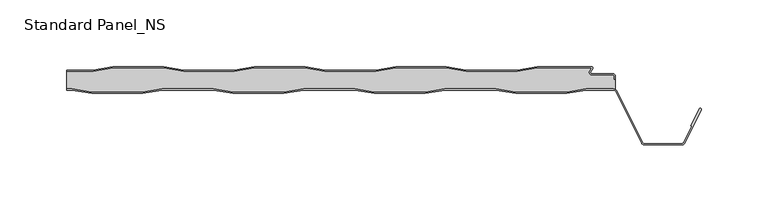
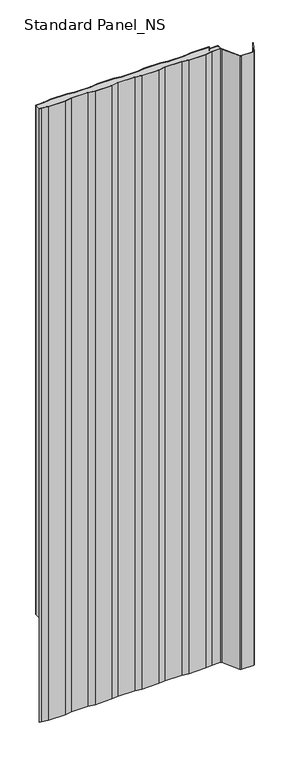
"""IFC4 building model written with IfcOpenShell, lengths in millimetres: proxy geometry, Standard Panel_NS."""

from ifc_helpers import new_model, si_unit, point, frame, frame_2d, origin, origin_with_axes, place, context, project, spatial, polyline, circle_curve, trimmed, segment, composite_curve, outline, extrude, source, transform, mapped, element, save
from ifc_brep_helpers import plane_surface, cylinder_surface, revolved_surface, advanced_brep


def standard_panel_ns_a585506e(model_context):
    return source(origin(), model_context, "Body", "SolidModel", [
        extrude(outline(composite_curve([segment(polyline([(-203.6028864, -3.3), (-223.4042607, -3.3), (-223.4042607, -2.5), (-203.6690964, -2.5), (-188.6690964, 0.0), (-150.6690964, 0.0), (-135.6690964, -2.5), (-97.6690964, -2.5), (-82.6690964, 0.0), (-44.6690964, 0.0), (-29.6690964, -2.5), (8.3309036, -2.5), (23.3309036, 0.0), (61.3309036, 0.0), (76.3309036, -2.5), (114.3309036, -2.5), (129.3309036, 0.0), (170.1370388, 0.0)]), True, "CONTINUOUS"), segment(trimmed(circle_curve(frame_2d((170.1370388, -1.0)), 1.0), [point((170.1370388, 0.0))], [point((170.9759217, -1.5443119))], False, "CARTESIAN"), True, "CONTINUOUS"), segment(polyline([(170.9759217, -1.5443119), (169.5409513, -3.7558601)]), True, "CONTINUOUS"), segment(trimmed(circle_curve(frame_2d((170.3798342, -4.3001721)), 1.0), [point((169.5409513, -3.7558601))], [point((170.3798342, -5.3001721))], True, "CARTESIAN"), True, "CONTINUOUS"), segment(polyline([(170.3798342, -5.3001721), (185.9659043, -5.3001721)]), True, "CONTINUOUS"), segment(trimmed(circle_curve(frame_2d((185.9659043, -7.4001714)), 2.0999993), [point((185.9659043, -5.3001721))], [point((188.0659036, -7.4001714))], False, "CARTESIAN"), True, "CONTINUOUS"), segment(polyline([(188.0659036, -7.4001714), (188.0659036, -9.4001722), (187.2659036, -9.4001722), (187.2659036, -7.4001714)]), True, "CONTINUOUS"), segment(trimmed(circle_curve(frame_2d((185.9659043, -7.4001714)), 1.2999993), [point((187.2659036, -7.4001714))], [point((185.9659043, -6.1001721))], True, "CARTESIAN"), True, "CONTINUOUS"), segment(polyline([(185.9659043, -6.1001721), (170.3798342, -6.1001721)]), True, "CONTINUOUS"), segment(trimmed(circle_curve(frame_2d((170.3798342, -4.3001721)), 1.8), [point((170.3798342, -6.1001721))], [point((168.869845, -3.3204106))], False, "CARTESIAN"), True, "CONTINUOUS"), segment(polyline([(168.869845, -3.3204106), (170.5052217, -0.8), (129.3971136, -0.8), (114.3971136, -3.3), (76.2646936, -3.3), (61.2646936, -0.8), (23.3971136, -0.8), (8.3971136, -3.3), (-29.7353064, -3.3), (-44.7353064, -0.8), (-82.6028864, -0.8), (-97.6028864, -3.3), (-135.7353064, -3.3), (-150.7353064, -0.8), (-188.6028864, -0.8), (-203.6028864, -3.3)]), True, "CONTINUOUS")], self_intersect=False)), origin_with_axes(), (0.0, 0.0, 1.0), 1219.2),
        extrude(outline(composite_curve([segment(polyline([(-219.5261524, -17.5), (-223.4042607, -17.5), (-223.4042607, -16.7), (-219.4592357, -16.7), (-204.6198427, -19.2), (-166.5446313, -19.2), (-151.7052383, -16.7), (-113.4592357, -16.7), (-98.6198427, -19.2), (-60.5446313, -19.2), (-45.7052383, -16.7), (-7.4592357, -16.7), (7.3801573, -19.2), (45.4553687, -19.2), (60.2947617, -16.7), (98.5407643, -16.7), (113.3801573, -19.2), (151.4553687, -19.2), (166.2947617, -16.7), (186.5082999, -16.7)]), True, "CONTINUOUS"), segment(trimmed(circle_curve(frame_2d((186.5082999, -19.8)), 3.1), [point((186.5082999, -16.7))], [point((189.28232, -18.4162325))], False, "CARTESIAN"), True, "CONTINUOUS"), segment(polyline([(189.28232, -18.4162325), (208.4846117, -56.910808)]), True, "CONTINUOUS"), segment(trimmed(circle_curve(frame_2d((209.8268795, -56.241243)), 1.5), [point((208.4846117, -56.910808))], [point((209.8268795, -57.741243))], True, "CARTESIAN"), True, "CONTINUOUS"), segment(polyline([(209.8268795, -57.741243), (237.9816419, -57.741243)]), True, "CONTINUOUS"), segment(trimmed(circle_curve(frame_2d((237.9816419, -56.241243)), 1.5), [point((237.9816419, -57.741243))], [point((239.3236176, -56.9113932))], True, "CARTESIAN"), True, "CONTINUOUS"), segment(polyline([(239.3236176, -56.9113932), (245.3896952, -44.7640727), (244.6739749, -44.4066593), (251.018063, -31.7026227)]), True, "CONTINUOUS"), segment(trimmed(circle_curve(frame_2d((251.7337834, -32.0600361)), 0.8), [point((251.018063, -31.7026227))], [point((252.4495038, -32.4174495))], False, "CARTESIAN"), True, "CONTINUOUS"), segment(polyline([(252.4495038, -32.4174495), (240.039338, -57.2688066)]), True, "CONTINUOUS"), segment(trimmed(circle_curve(frame_2d((237.9816419, -56.241243)), 2.3), [point((240.039338, -57.2688066))], [point((237.9816419, -58.541243))], False, "CARTESIAN"), True, "CONTINUOUS"), segment(polyline([(237.9816419, -58.541243), (209.8268795, -58.541243)]), True, "CONTINUOUS"), segment(trimmed(circle_curve(frame_2d((209.8268795, -56.241243)), 2.3), [point((209.8268795, -58.541243))], [point((207.7687355, -57.2679093))], False, "CARTESIAN"), True, "CONTINUOUS"), segment(polyline([(207.7687355, -57.2679093), (188.5664438, -18.7733338)]), True, "CONTINUOUS"), segment(trimmed(circle_curve(frame_2d((186.5082999, -19.8)), 2.3), [point((188.5664438, -18.7733338))], [point((186.5082999, -17.5))], True, "CARTESIAN"), True, "CONTINUOUS"), segment(polyline([(186.5082999, -17.5), (166.3616785, -17.5), (151.5222854, -20.0), (113.3132406, -20.0), (98.4738476, -17.5), (60.3616785, -17.5), (45.5222854, -20.0), (7.3132406, -20.0), (-7.5261524, -17.5), (-45.6383215, -17.5), (-60.4777146, -20.0), (-98.6867594, -20.0), (-113.5261524, -17.5), (-151.6383215, -17.5), (-166.4777146, -20.0), (-204.6867594, -20.0), (-219.5261524, -17.5)]), True, "CONTINUOUS")], self_intersect=False)), frame((0.0, 0.0, -250.0), z_axis=(0.0, 0.0, 1.0), x_axis=(1.0, 0.0, 0.0)), (0.0, 0.0, 1.0), 1469.2),
        advanced_brep(
        [(188.136916, -17.1622719, 1219.2), (188.1042607, -9.4, 1219.2), (187.2659036, -9.4, 1219.2), (187.2659036, -7.4001714, 1219.2), (185.9659043, -6.1001721, 1219.2), (170.3798342, -6.1001721, 1219.2), (168.869845, -3.3204106, 1219.2), (170.5052217, -0.8, 1219.2), (129.3971136, -0.8, 1219.2), (114.3971136, -3.3, 1219.2), (76.2646936, -3.3, 1219.2), (61.2646936, -0.8, 1219.2), (23.3971136, -0.8, 1219.2), (8.3971136, -3.3, 1219.2), (-29.7353064, -3.3, 1219.2), (-44.7353064, -0.8, 1219.2), (-82.6028864, -0.8, 1219.2), (-97.6028864, -3.3, 1219.2), (-135.7353064, -3.3, 1219.2), (-150.7353064, -0.8, 1219.2), (-188.6028864, -0.8, 1219.2), (-203.6028864, -3.3, 1219.2), (-223.4042607, -3.3, 1219.2), (-223.4042607, -16.7, 1219.2), (-219.4592357, -16.7, 1219.2), (-204.6198427, -19.2, 1219.2), (-166.5446313, -19.2, 1219.2), (-151.7052383, -16.7, 1219.2), (-113.4592357, -16.7, 1219.2), (-98.6198427, -19.2, 1219.2), (-60.5446313, -19.2, 1219.2), (-45.7052383, -16.7, 1219.2), (-7.4592357, -16.7, 1219.2), (7.3801573, -19.2, 1219.2), (45.4553687, -19.2, 1219.2), (60.2947617, -16.7, 1219.2), (98.5407643, -16.7, 1219.2), (113.3801573, -19.2, 1219.2), (151.4553687, -19.2, 1219.2), (166.2947617, -16.7, 1219.2), (186.5082999, -16.7, 1219.2), (-219.4592357, -16.7, 0.0), (-223.4042607, -16.7, 0.0), (-223.4042607, -3.3, 0.0), (-203.6028864, -3.3, 0.0), (-188.6028864, -0.8, 0.0), (-150.7353064, -0.8, 0.0), (-135.7353064, -3.3, 0.0), (-97.6028864, -3.3, 0.0), (-82.6028864, -0.8, 0.0), (-44.7353064, -0.8, 0.0), (-29.7353064, -3.3, 0.0), (8.3971136, -3.3, 0.0), (23.3971136, -0.8, 0.0), (61.2646936, -0.8, 0.0), (76.2646936, -3.3, 0.0), (114.3971136, -3.3, 0.0), (129.3971136, -0.8, 0.0), (170.5052217, -0.8, 0.0), (168.869845, -3.3204106, 0.0), (170.3798342, -6.1001721, 0.0), (185.9659043, -6.1001721, 0.0), (187.2659036, -7.4001714, 0.0), (187.2659036, -9.4001722, 0.0), (188.1042607, -9.4, 0.0), (188.136916, -17.1622719, 0.0), (186.5082999, -16.7, 0.0), (166.2947617, -16.7, 0.0), (151.4553687, -19.2, 0.0), (113.3801573, -19.2, 0.0), (98.5407643, -16.7, 0.0), (60.2947617, -16.7, 0.0), (45.4553687, -19.2, 0.0), (7.3801573, -19.2, 0.0), (-7.4592357, -16.7, 0.0), (-45.7052383, -16.7, 0.0), (-60.5446313, -19.2, 0.0), (-98.6198427, -19.2, 0.0), (-113.4592357, -16.7, 0.0), (-151.7052383, -16.7, 0.0), (-166.5446313, -19.2, 0.0), (-204.6198427, -19.2, 0.0)],
        [
            (0, 1),
            (1, 2),
            (2, 3),
            (3, 4, circle_curve(frame((185.9659043, -7.4001714, 1219.2), z_axis=(0.0, 0.0, 1.0), x_axis=(-1.0, 0.0, 0.0)), 1.2999993)),
            (4, 5),
            (5, 6, circle_curve(frame((170.3798342, -4.3001721, 1219.2), z_axis=(0.0, 0.0, -1.0), x_axis=(-1.0, 0.0, 0.0)), 1.8)),
            (6, 7),
            (7, 8),
            (8, 9),
            (9, 10),
            (10, 11),
            (11, 12),
            (12, 13),
            (13, 14),
            (14, 15),
            (15, 16),
            (16, 17),
            (17, 18),
            (18, 19),
            (19, 20),
            (20, 21),
            (21, 22),
            (22, 23),
            (23, 24),
            (24, 25),
            (25, 26),
            (26, 27),
            (27, 28),
            (28, 29),
            (29, 30),
            (30, 31),
            (31, 32),
            (32, 33),
            (33, 34),
            (34, 35),
            (35, 36),
            (36, 37),
            (37, 38),
            (38, 39),
            (39, 40),
            (40, 0, circle_curve(frame((186.5082999, -19.8, 1219.2), z_axis=(0.0, 0.0, -1.0), x_axis=(-1.0, 0.0, 0.0)), 3.1)),
            (41, 42),
            (42, 43),
            (43, 44),
            (44, 45),
            (45, 46),
            (46, 47),
            (47, 48),
            (48, 49),
            (49, 50),
            (50, 51),
            (51, 52),
            (52, 53),
            (53, 54),
            (54, 55),
            (55, 56),
            (56, 57),
            (57, 58),
            (58, 59),
            (59, 60, circle_curve(frame((170.3798342, -4.3001721, 0.0), z_axis=(0.0, 0.0, 1.0), x_axis=(-1.0, 0.0, 0.0)), 1.8)),
            (60, 61),
            (61, 62, circle_curve(frame((185.9659043, -7.4001714, 0.0), z_axis=(0.0, 0.0, -1.0), x_axis=(-1.0, 0.0, 0.0)), 1.2999993)),
            (62, 63),
            (63, 64),
            (64, 65),
            (65, 66, circle_curve(frame((186.5082999, -19.8, 0.0), z_axis=(0.0, 0.0, 1.0), x_axis=(-1.0, 0.0, 0.0)), 3.1)),
            (66, 67),
            (67, 68),
            (68, 69),
            (69, 70),
            (70, 71),
            (71, 72),
            (72, 73),
            (73, 74),
            (74, 75),
            (75, 76),
            (76, 77),
            (77, 78),
            (78, 79),
            (79, 80),
            (80, 81),
            (81, 41),
            (64, 1),
            (0, 65),
            (40, 66),
            (39, 67),
            (38, 68),
            (37, 69),
            (36, 70),
            (35, 71),
            (34, 72),
            (33, 73),
            (32, 74),
            (31, 75),
            (30, 76),
            (29, 77),
            (28, 78),
            (27, 79),
            (26, 80),
            (25, 81),
            (24, 41),
            (23, 42),
            (63, 2),
            (43, 22),
            (21, 44),
            (20, 45),
            (19, 46),
            (18, 47),
            (17, 48),
            (16, 49),
            (15, 50),
            (14, 51),
            (13, 52),
            (12, 53),
            (11, 54),
            (10, 55),
            (9, 56),
            (8, 57),
            (7, 58),
            (6, 59),
            (5, 60),
            (4, 61),
            (3, 62),
        ],
        [
            plane_surface(frame((-276.0957393, -19.2, 1219.2), z_axis=(0.0, 0.0, 1.0), x_axis=(0.0, -1.0, 0.0))),
            plane_surface(frame((-276.0957393, -19.2, 0.0), z_axis=(0.0, 0.0, -1.0), x_axis=(0.0, -1.0, 0.0))),
            plane_surface(frame((188.136916, -14.25, 1219.2), z_axis=(1.0, 0.0, 0.0), x_axis=(0.0, 0.0, -1.0))),
            revolved_surface(polyline([(183.4082999, -19.8, 0.0), (183.4082999, -19.8, 1219.2)]), (186.5082999, -19.8, 1219.2), (0.0, 0.0, -1.0)),
            plane_surface(frame((186.5082999, -16.7, 1219.2), z_axis=(0.0, -1.0, 0.0), x_axis=(0.0, 0.0, -1.0))),
            plane_surface(frame((166.2947617, -16.7, 1219.2), z_axis=(0.16612942863435848, -0.9861039564577467, 0.0), x_axis=(0.0, 0.0, -1.0))),
            plane_surface(frame((151.4553687, -19.2, 1219.2), z_axis=(0.0, -1.0, 0.0), x_axis=(0.0, 0.0, -1.0))),
            plane_surface(frame((113.3801573, -19.2, 1219.2), z_axis=(-0.16612942863454067, -0.9861039564577161, 0.0), x_axis=(0.0, 0.0, -1.0))),
            plane_surface(frame((98.5407643, -16.7, 1219.2), z_axis=(0.0, -1.0, 0.0), x_axis=(0.0, 0.0, -1.0))),
            plane_surface(frame((60.2947617, -16.7, 1219.2), z_axis=(0.1661294286345235, -0.986103956457719, 0.0), x_axis=(0.0, 0.0, -1.0))),
            plane_surface(frame((45.4553687, -19.2, 1219.2), z_axis=(0.0, -1.0, 0.0), x_axis=(0.0, 0.0, -1.0))),
            plane_surface(frame((7.3801573, -19.2, 1219.2), z_axis=(-0.16612942863454067, -0.9861039564577161, 0.0), x_axis=(0.0, 0.0, -1.0))),
            plane_surface(frame((-7.4592357, -16.7, 1219.2), z_axis=(0.0, -1.0, 0.0), x_axis=(0.0, 0.0, -1.0))),
            plane_surface(frame((-45.7052383, -16.7, 1219.2), z_axis=(0.16612942863435848, -0.9861039564577467, 0.0), x_axis=(0.0, 0.0, -1.0))),
            plane_surface(frame((-60.5446313, -19.2, 1219.2), z_axis=(0.0, -1.0, 0.0), x_axis=(0.0, 0.0, -1.0))),
            plane_surface(frame((-98.6198427, -19.2, 1219.2), z_axis=(-0.16612942863472926, -0.9861039564576843, 0.0), x_axis=(0.0, 0.0, -1.0))),
            plane_surface(frame((-113.4592357, -16.7, 1219.2), z_axis=(0.0, -1.0, 0.0), x_axis=(0.0, 0.0, -1.0))),
            plane_surface(frame((-151.7052383, -16.7, 1219.2), z_axis=(0.1661294286345235, -0.986103956457719, 0.0), x_axis=(0.0, 0.0, -1.0))),
            plane_surface(frame((-166.5446313, -19.2, 1219.2), z_axis=(0.0, -1.0, 0.0), x_axis=(0.0, 0.0, -1.0))),
            plane_surface(frame((-204.6198427, -19.2, 1219.2), z_axis=(-0.16612942863435204, -0.9861039564577478, 0.0), x_axis=(0.0, 0.0, -1.0))),
            plane_surface(frame((-219.4592357, -16.7, 1219.2), z_axis=(0.0, -1.0, 0.0), x_axis=(0.0, 0.0, -1.0))),
            plane_surface(frame((-811.8956486, -9.4, 1219.2), z_axis=(0.0, 1.0, 0.0), x_axis=(0.0, 0.0, -1.0))),
            plane_surface(frame((-241.7353064, -3.3, 1219.2), z_axis=(0.0, 1.0, 0.0), x_axis=(0.0, 0.0, -1.0))),
            plane_surface(frame((-203.6028864, -3.3, 1219.2), z_axis=(-0.1643989873053467, 0.9863939238321456, 0.0), x_axis=(0.0, 0.0, -1.0))),
            plane_surface(frame((-188.6028864, -0.8, 1219.2), z_axis=(0.0, 1.0, 0.0), x_axis=(0.0, 0.0, -1.0))),
            plane_surface(frame((-150.7353064, -0.8, 1219.2), z_axis=(0.1643989873053679, 0.9863939238321421, 0.0), x_axis=(0.0, 0.0, -1.0))),
            plane_surface(frame((-135.7353064, -3.3, 1219.2), z_axis=(0.0, 1.0, 0.0), x_axis=(0.0, 0.0, -1.0))),
            plane_surface(frame((-97.6028864, -3.3, 1219.2), z_axis=(-0.1643989873053467, 0.9863939238321456, 0.0), x_axis=(0.0, 0.0, -1.0))),
            plane_surface(frame((-82.6028864, -0.8, 1219.2), z_axis=(0.0, 1.0, 0.0), x_axis=(0.0, 0.0, -1.0))),
            plane_surface(frame((-44.7353064, -0.8, 1219.2), z_axis=(0.16439898730518315, 0.9863939238321728, 0.0), x_axis=(0.0, 0.0, -1.0))),
            plane_surface(frame((-29.7353064, -3.3, 1219.2), z_axis=(0.0, 1.0, 0.0), x_axis=(0.0, 0.0, -1.0))),
            plane_surface(frame((8.3971136, -3.3, 1219.2), z_axis=(-0.1643989873053467, 0.9863939238321456, 0.0), x_axis=(0.0, 0.0, -1.0))),
            plane_surface(frame((23.3971136, -0.8, 1219.2), z_axis=(0.0, 1.0, 0.0), x_axis=(0.0, 0.0, -1.0))),
            plane_surface(frame((61.2646936, -0.8, 1219.2), z_axis=(0.1643989873053679, 0.9863939238321421, 0.0), x_axis=(0.0, 0.0, -1.0))),
            plane_surface(frame((76.2646936, -3.3, 1219.2), z_axis=(0.0, 1.0, 0.0), x_axis=(0.0, 0.0, -1.0))),
            plane_surface(frame((114.3971136, -3.3, 1219.2), z_axis=(-0.16439898730516195, 0.9863939238321764, 0.0), x_axis=(0.0, 0.0, -1.0))),
            plane_surface(frame((129.3971136, -0.8, 1219.2), z_axis=(0.0, 1.0, 0.0), x_axis=(0.0, 0.0, -1.0))),
            plane_surface(frame((170.5052217, -0.8, 1219.2), z_axis=(0.8388828900539764, -0.5443119480359477, 0.0), x_axis=(0.0, 0.0, -1.0))),
            revolved_surface(polyline([(168.5798342, -4.3001721, 0.0), (168.5798342, -4.3001721, 1219.2)]), (170.3798342, -4.3001721, 1219.2), (0.0, 0.0, -1.0)),
            plane_surface(frame((170.3798342, -6.1001721, 1219.2), z_axis=(0.0, 1.0, 0.0), x_axis=(0.0, 0.0, -1.0))),
            cylinder_surface(frame((185.9659043, -7.4001714, 1219.2), z_axis=(0.0, 0.0, 1.0), x_axis=(-1.0, 0.0, 0.0)), 1.2999993),
            plane_surface(frame((187.2659036, -7.4001714, 1219.2), z_axis=(1.0, 0.0, 0.0), x_axis=(0.0, 0.0, -1.0))),
            plane_surface(frame((-223.4042607, 30.0, 1219.2), z_axis=(-1.0, 0.0, 0.0), x_axis=(0.0, 0.0, -1.0))),
        ],
        [
            (0, [[1, 2, 3, 4, 5, 6, 7, 8, 9, 10, 11, 12, 13, 14, 15, 16, 17, 18, 19, 20, 21, 22, 23, 24, 25, 26, 27, 28, 29, 30, 31, 32, 33, 34, 35, 36, 37, 38, 39, 40, 41]]),
            (1, [[42, 43, 44, 45, 46, 47, 48, 49, 50, 51, 52, 53, 54, 55, 56, 57, 58, 59, 60, 61, 62, 63, 64, 65, 66, 67, 68, 69, 70, 71, 72, 73, 74, 75, 76, 77, 78, 79, 80, 81, 82]]),
            (2, [[-65, 83, -1, 84]]),
            (3, [[85, -66, -84, -41]]),
            (4, [[86, -67, -85, -40]]),
            (5, [[87, -68, -86, -39]]),
            (6, [[88, -69, -87, -38]]),
            (7, [[89, -70, -88, -37]]),
            (8, [[90, -71, -89, -36]]),
            (9, [[91, -72, -90, -35]]),
            (10, [[92, -73, -91, -34]]),
            (11, [[93, -74, -92, -33]]),
            (12, [[94, -75, -93, -32]]),
            (13, [[95, -76, -94, -31]]),
            (14, [[96, -77, -95, -30]]),
            (15, [[97, -78, -96, -29]]),
            (16, [[98, -79, -97, -28]]),
            (17, [[99, -80, -98, -27]]),
            (18, [[100, -81, -99, -26]]),
            (19, [[101, -82, -100, -25]]),
            (20, [[-24, 102, -42, -101]]),
            (21, [[-64, 103, -2, -83]]),
            (22, [[-44, 104, -22, 105]]),
            (23, [[106, -45, -105, -21]]),
            (24, [[107, -46, -106, -20]]),
            (25, [[108, -47, -107, -19]]),
            (26, [[109, -48, -108, -18]]),
            (27, [[110, -49, -109, -17]]),
            (28, [[111, -50, -110, -16]]),
            (29, [[112, -51, -111, -15]]),
            (30, [[113, -52, -112, -14]]),
            (31, [[114, -53, -113, -13]]),
            (32, [[115, -54, -114, -12]]),
            (33, [[116, -55, -115, -11]]),
            (34, [[117, -56, -116, -10]]),
            (35, [[118, -57, -117, -9]]),
            (36, [[119, -58, -118, -8]]),
            (37, [[120, -59, -119, -7]]),
            (38, [[121, -60, -120, -6]]),
            (39, [[122, -61, -121, -5]]),
            (40, [[123, -62, -122, -4]]),
            (41, [[-103, -63, -123, -3]]),
            (42, [[-104, -43, -102, -23]]),
        ],
    ),
    ])


if __name__ == "__main__":
    model = new_model("IFC4")
    model_context = context("Model", 3, world=origin())
    ifc_project = project(units=[si_unit("LENGTHUNIT", "METRE", prefix="MILLI")], contexts=[model_context])
    site = spatial("IfcSite", under=ifc_project)
    building = spatial("IfcBuilding", under=site)
    placement = place(None, origin())
    standard_panel_ns_shape = standard_panel_ns_a585506e(model_context)
    element("IfcBuildingElementProxy", 1, Name="Standard Panel_NS", ObjectType="Standard Panel_NS", at=placement, inside=building, context=model_context, shape_type="MappedRepresentation", body=[
        mapped(standard_panel_ns_shape, transform((0.0, 0.0, 0.0), x_axis=(1.0, 0.0, 0.0), y_axis=(0.0, 1.0, 0.0), z_axis=(0.0, 0.0, 1.0))),
    ])
    save(model, "model.ifc")
